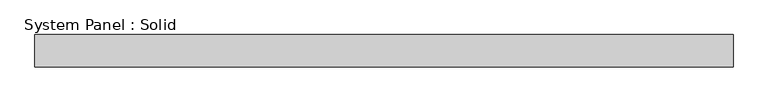
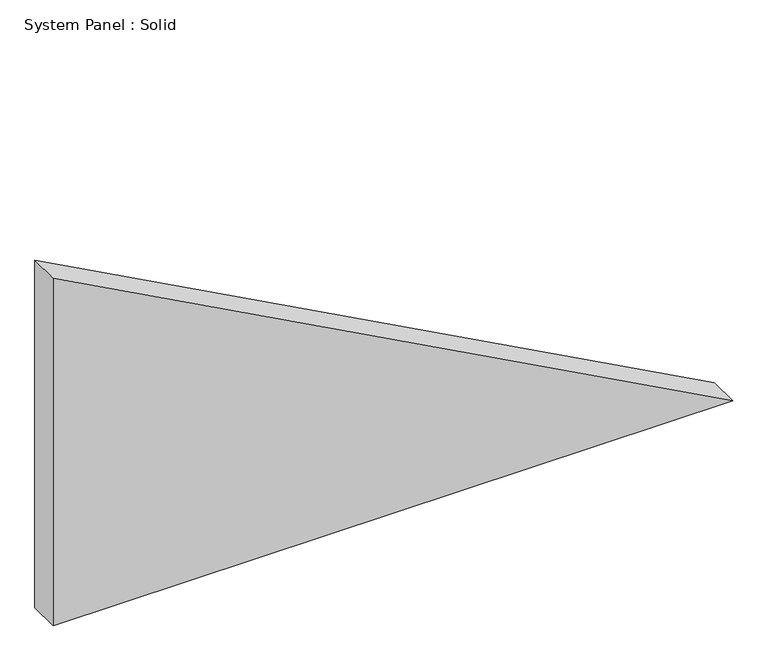
"""IFC4 building model written with IfcOpenShell, lengths in millimetres: plate geometry, System Panel : Solid."""

from ifc_helpers import new_model, si_unit, frame, origin, place, context, project, spatial, polyline, outline, extrude, source, transform, mapped, element, save


def system_panel_solid_fac98384(model_context):
    return source(origin(), model_context, "Body", "SweptSolid", [
        extrude(outline(polyline([(0.0, -648.4728132), (0.0, 648.4728132), (701.160561, -648.4728132), (0.0, -648.4728132)])), frame((0.0, -10.5, 0.0), z_axis=(0.0, 1.0, 0.0), x_axis=(0.0, 0.0, 1.0)), (0.0, 0.0, 1.0), 60.0),
    ])


if __name__ == "__main__":
    model = new_model("IFC4")
    model_context = context("Model", 3, world=origin())
    ifc_project = project(units=[si_unit("LENGTHUNIT", "METRE", prefix="MILLI")], contexts=[model_context])
    site = spatial("IfcSite", under=ifc_project)
    building = spatial("IfcBuilding", under=site)
    placement = place(None, origin())
    system_panel_solid_shape = system_panel_solid_fac98384(model_context)
    element("IfcPlate", 1, ObjectType="System Panel : Solid", at=placement, inside=building, context=model_context, shape_type="MappedRepresentation", body=[
        mapped(system_panel_solid_shape, transform((0.0, 0.0, 0.0), x_axis=(1.0, 0.0, 0.0), y_axis=(0.0, 1.0, 0.0), z_axis=(0.0, 0.0, 1.0))),
    ])
    save(model, "model.ifc")
